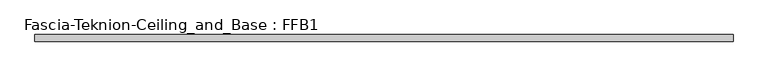
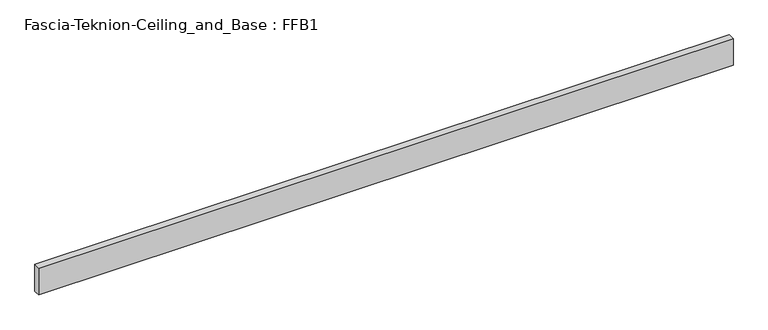
"""IFC4 building model written with IfcOpenShell, lengths in millimetres: proxy geometry, Fascia-Teknion-Ceiling_and_Base : FFB1."""

from ifc_helpers import new_model, si_unit, origin, origin_with_axes, place, context, project, spatial, polyline, outline, extrude, source, transform, mapped, element, save


def fascia_teknion_ceiling_and_base_ffb1_7e571673(model_context):
    return source(origin(), model_context, "Body", "SweptSolid", [
        extrude(outline(polyline([(1000.1305563, 0.0), (1000.1305563, -19.05), (-1000.1305562, -19.05), (-1000.1305562, 0.0), (1000.1305563, 0.0)])), origin_with_axes(), (0.0, 0.0, 1.0), 81.28),
    ])


if __name__ == "__main__":
    model = new_model("IFC4")
    model_context = context("Model", 3, world=origin())
    ifc_project = project(units=[si_unit("LENGTHUNIT", "METRE", prefix="MILLI")], contexts=[model_context])
    site = spatial("IfcSite", under=ifc_project)
    building = spatial("IfcBuilding", under=site)
    placement = place(None, origin())
    fascia_teknion_ceiling_and_base_ffb1_shape = fascia_teknion_ceiling_and_base_ffb1_7e571673(model_context)
    element("IfcBuildingElementProxy", 1, Name="Fascia-Teknion-Ceiling_and_Base : FFB1", ObjectType="Fascia-Teknion-Ceiling_and_Base : FFB1", at=placement, inside=building, context=model_context, shape_type="MappedRepresentation", body=[
        mapped(fascia_teknion_ceiling_and_base_ffb1_shape, transform((0.0, 0.0, 0.0), x_axis=(1.0, 0.0, 0.0), y_axis=(0.0, 1.0, 0.0), z_axis=(0.0, 0.0, 1.0))),
    ])
    save(model, "model.ifc")
